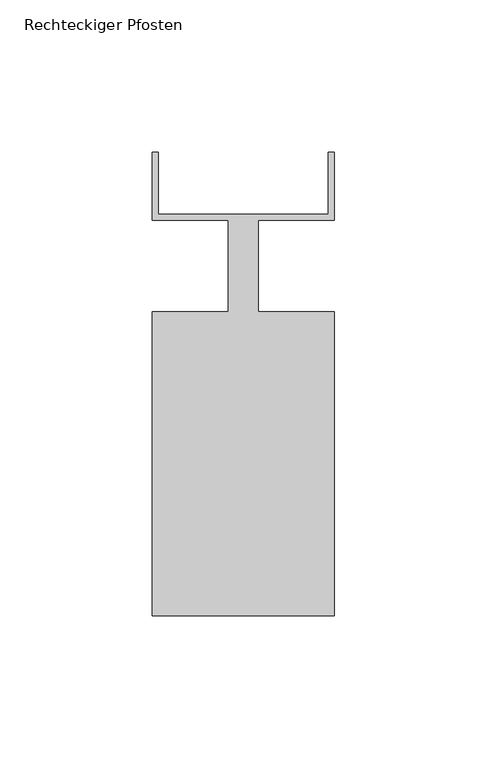
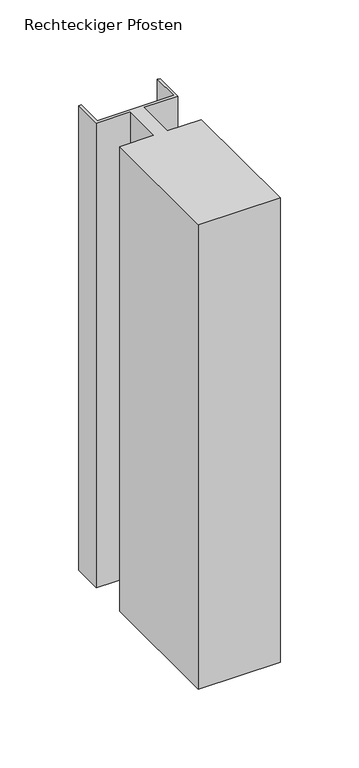
"""IFC4 building model written with IfcOpenShell, lengths in millimetres: member geometry, Rechteckiger Pfosten."""

import ifcopenshell
import ifcopenshell.guid

model = None  # the IFC model being written
_history = None  # IfcOwnerHistory: only IFC2X3 demands one
_inside = {}  # id of a spatial element -> (the spatial element, [elements in it])
_under = {}  # id of a project, library or spatial element -> (it, [spatial elements below it])
_declared = {}  # id of a project -> (the project, [libraries it declares])
_typed = {}  # id of a type object -> (the type object, [elements of that type])
_made_of = {}  # id of a material, layer set ... -> (it, [elements and type objects made of it])


def new_model(schema):
    """Start an empty IFC model of exactly this schema.

    Asked for "IFC4X3", IfcOpenShell would pick the latest addendum, in which some entities
    have other attributes; the version numbers below select the first issue.
    IFC2X3 requires an IfcOwnerHistory on every rooted entity: one is made here for all.
    """
    global model, _history
    if schema == "IFC4X3":
        model = ifcopenshell.file(schema_version=(4, 3, 0, 0))
    else:
        model = ifcopenshell.file(schema=schema)
    _inside.clear()
    _under.clear()
    _declared.clear()
    _typed.clear()
    _made_of.clear()
    _history = None
    if model.schema == "IFC2X3":
        org = make("IfcOrganization", Name="unknown")
        user = make(
            "IfcPersonAndOrganization",
            ThePerson=make("IfcPerson", FamilyName="unknown"),
            TheOrganization=org,
        )
        app = make(
            "IfcApplication",
            ApplicationDeveloper=org,
            Version="unknown",
            ApplicationFullName="unknown",
            ApplicationIdentifier="unknown",
        )
        _history = make(
            "IfcOwnerHistory",
            OwningUser=user,
            OwningApplication=app,
            ChangeAction="ADDED",
            CreationDate=0,
        )
    return model


def make(cls, **values):
    """One entity of the class cls with the attributes given. An attribute that is None is left unset."""
    return model.create_entity(
        cls, **{name: value for name, value in values.items() if value is not None}
    )


def rooted(cls, **values):
    """An entity with a GlobalId (a new one), such as an element, a storey or a relation."""
    return make(cls, GlobalId=ifcopenshell.guid.new(), OwnerHistory=_history, **values)


def si_unit(unit_type, name, prefix=None):
    """IfcSIUnit, for example si_unit("LENGTHUNIT", "METRE", prefix="MILLI")."""
    return make("IfcSIUnit", UnitType=unit_type, Prefix=prefix, Name=name)


def assignment(units):
    """IfcUnitAssignment: the units of a project."""
    return None if units is None else make("IfcUnitAssignment", Units=units)


def point(xyz):
    """IfcCartesianPoint."""
    return None if xyz is None else make("IfcCartesianPoint", Coordinates=xyz)


def direction(xyz):
    """IfcDirection."""
    return None if xyz is None else make("IfcDirection", DirectionRatios=xyz)


def frame(location, z_axis=None, x_axis=None):
    """IfcAxis2Placement3D, a coordinate frame: its origin and axes. An axis left out is left unset."""
    return make(
        "IfcAxis2Placement3D",
        Location=point(location),
        Axis=direction(z_axis),
        RefDirection=direction(x_axis),
    )


def origin():
    """The frame at (0, 0, 0) with its axes left unset."""
    return frame((0.0, 0.0, 0.0))


def place(relative_to, where):
    """IfcLocalPlacement: puts the frame where relative to a parent placement (None: the world)."""
    return make(
        "IfcLocalPlacement", PlacementRelTo=relative_to, RelativePlacement=where
    )


def context(
    kind, dimensions, precision=None, world=None, true_north=None, identifier=None
):
    """IfcGeometricRepresentationContext, for example the 3D "Model" context."""
    return make(
        "IfcGeometricRepresentationContext",
        ContextIdentifier=identifier,
        ContextType=kind,
        CoordinateSpaceDimension=dimensions,
        Precision=precision,
        WorldCoordinateSystem=world,
        TrueNorth=true_north,
    )


def project(units=None, contexts=None):
    """IfcProject with its units and contexts."""
    return rooted(
        "IfcProject",
        Name="project",
        RepresentationContexts=contexts,
        UnitsInContext=assignment(units),
    )


def spatial(cls, under=None, at=None, **own):
    """A site, building, storey or space (cls), placed at a placement, below another one or the project."""
    s = rooted(cls, ObjectPlacement=at, **own)
    if under is not None:
        _under.setdefault(under.id(), (under, []))[1].append(s)
    return s


def polyline(points):
    """IfcPolyline through the points."""
    return make("IfcPolyline", Points=[point(p) for p in points])


def outline(outer, holes=None, kind="AREA"):
    """IfcArbitraryClosedProfileDef: a profile drawn as a closed curve; with holes, ...WithVoids."""
    if holes is None:
        return make("IfcArbitraryClosedProfileDef", ProfileType=kind, OuterCurve=outer)
    return make(
        "IfcArbitraryProfileDefWithVoids",
        ProfileType=kind,
        OuterCurve=outer,
        InnerCurves=holes,
    )


def extrude(swept, where, along, depth):
    """IfcExtrudedAreaSolid: the profile swept, set in the frame where, extruded along a direction by depth."""
    return make(
        "IfcExtrudedAreaSolid",
        SweptArea=swept,
        Position=where,
        ExtrudedDirection=direction(along),
        Depth=depth,
    )


def shape(context_of_items, identifier, shape_type, items):
    """IfcShapeRepresentation: the items that make up one representation, for example the "Body"."""
    return make(
        "IfcShapeRepresentation",
        ContextOfItems=context_of_items,
        RepresentationIdentifier=identifier,
        RepresentationType=shape_type,
        Items=items,
    )


def source(mapping_origin, context_of_items, identifier, shape_type, items):
    """IfcRepresentationMap: a shape defined once, which mapped items show again and again."""
    return make(
        "IfcRepresentationMap",
        MappingOrigin=mapping_origin,
        MappedRepresentation=shape(context_of_items, identifier, shape_type, items),
    )


def transform(
    local_origin,
    x_axis=None,
    y_axis=None,
    z_axis=None,
    scale=None,
    scale2=None,
    scale3=None,
    uniform=True,
):
    """IfcCartesianTransformationOperator3D, or its non-uniform kind. x_axis, y_axis, z_axis: its Axis1, 2, 3."""
    if uniform:
        return make(
            "IfcCartesianTransformationOperator3D",
            Axis1=direction(x_axis),
            Axis2=direction(y_axis),
            LocalOrigin=point(local_origin),
            Scale=scale,
            Axis3=direction(z_axis),
        )
    return make(
        "IfcCartesianTransformationOperator3DnonUniform",
        Axis1=direction(x_axis),
        Axis2=direction(y_axis),
        LocalOrigin=point(local_origin),
        Scale=scale,
        Axis3=direction(z_axis),
        Scale2=scale2,
        Scale3=scale3,
    )


def mapped(mapping_source, mapping_target):
    """IfcMappedItem: shows the shape of a source again, moved by a transform."""
    return make(
        "IfcMappedItem", MappingSource=mapping_source, MappingTarget=mapping_target
    )


def made_of(thing, what):
    """Note that an element or type object is made of a material, layer set ...; save() writes the relation."""
    if what is not None:
        _made_of.setdefault(what.id(), (what, []))[1].append(thing)
    return thing


def element(
    cls,
    number,
    at=None,
    inside=None,
    cuts=None,
    type_object=None,
    material=None,
    context=None,
    identifier="Body",
    shape_type=None,
    held_by="IfcProductDefinitionShape",
    body=None,
    shapes=None,
    **own,
):
    """One element of the class cls, such as IfcWall. Its Tag is "e" and its number.

    at: its placement. inside: the storey or other place that contains it. cuts: it is an
    opening in that element (IfcRelVoidsElement). A single representation is given by context,
    identifier, shape_type and body (its items); several are given by shapes. held_by: the class
    of the entity that holds the representations. save() writes the other relations.
    """
    e = rooted(cls, Tag="e%d" % number, ObjectPlacement=at, **own)
    if body is not None:
        shapes = [shape(context, identifier, shape_type, body)]
    if shapes is not None:
        e.Representation = make(held_by, Representations=shapes)
    if inside is not None:
        _inside.setdefault(inside.id(), (inside, []))[1].append(e)
    if cuts is not None:
        rooted(
            "IfcRelVoidsElement", RelatingBuildingElement=cuts, RelatedOpeningElement=e
        )
    if type_object is not None:
        _typed.setdefault(type_object.id(), (type_object, []))[1].append(e)
    return made_of(e, material)


def aggregate(whole, parts):
    """IfcRelAggregates: a whole, such as a stair, and the parts it consists of."""
    return rooted("IfcRelAggregates", RelatingObject=whole, RelatedObjects=parts)


def save(model, path):
    """Write the relations noted so far, then the file.

    IfcRelAggregates (storeys below a building ...), IfcRelContainedInSpatialStructure (elements
    in a storey), IfcRelDefinesByType, IfcRelAssociatesMaterial and IfcRelDeclares: one each for
    every whole, place, type object, material and project.
    """
    for whole, parts in _under.values():
        aggregate(whole, parts)
    for where, things in _inside.values():
        rooted(
            "IfcRelContainedInSpatialStructure",
            RelatedElements=things,
            RelatingStructure=where,
        )
    for kind, things in _typed.values():
        rooted("IfcRelDefinesByType", RelatedObjects=things, RelatingType=kind)
    for what, things in _made_of.values():
        rooted("IfcRelAssociatesMaterial", RelatedObjects=things, RelatingMaterial=what)
    for by, libraries in _declared.values():
        rooted("IfcRelDeclares", RelatingContext=by, RelatedDefinitions=libraries)
    model.write(path)


def rechteckiger_pfosten_0c5a66a2(model_context):
    return source(origin(), model_context, "Body", "SweptSolid", [
        extrude(outline(polyline([(28.0, 37.5), (30.0, 37.5), (30.0, 15.0), (5.0, 15.0), (5.0, -15.0), (30.0, -15.0), (30.0, -115.0), (-30.0, -115.0), (-30.0, -15.0), (-5.0, -15.0), (-5.0, 15.0), (-30.0, 15.0), (-30.0, 37.5), (-28.0, 37.5), (-28.0, 17.0), (28.0, 17.0), (28.0, 37.5)])), frame((0.0, 0.0, -361.1111111), z_axis=(0.0, 0.0, 1.0), x_axis=(1.0, 0.0, 0.0)), (0.0, 0.0, 1.0), 361.1111111),
    ])


if __name__ == "__main__":
    model = new_model("IFC4")
    model_context = context("Model", 3, world=origin())
    ifc_project = project(units=[si_unit("LENGTHUNIT", "METRE", prefix="MILLI")], contexts=[model_context])
    site = spatial("IfcSite", under=ifc_project)
    building = spatial("IfcBuilding", under=site)
    placement = place(None, origin())
    rechteckiger_pfosten_shape = rechteckiger_pfosten_0c5a66a2(model_context)
    element("IfcMember", 1, ObjectType="Rechteckiger Pfosten", at=placement, inside=building, context=model_context, shape_type="MappedRepresentation", body=[
        mapped(rechteckiger_pfosten_shape, transform((0.0, 0.0, 0.0), x_axis=(1.0, 0.0, 0.0), y_axis=(0.0, 1.0, 0.0), z_axis=(0.0, 0.0, 1.0))),
    ])
    save(model, "model.ifc")
